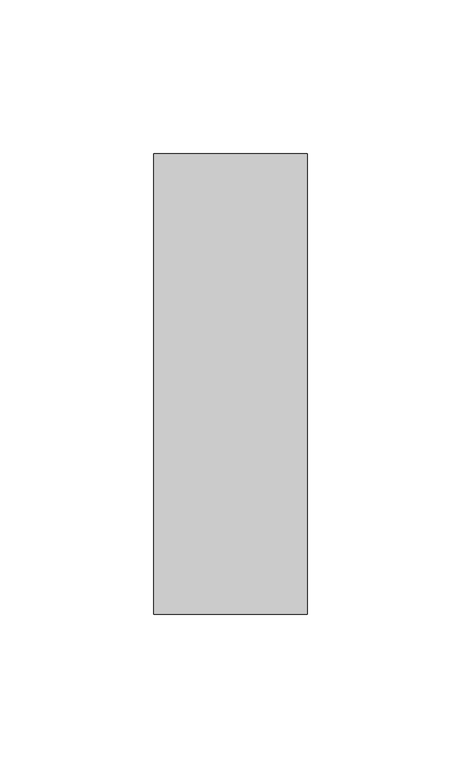
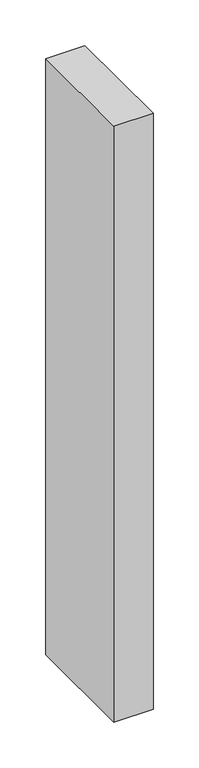
"""IFC4 building model written with IfcOpenShell, lengths in millimetres: member geometry."""

from ifc_helpers import new_model, si_unit, frame, origin, place, context, project, spatial, polyline, outline, extrude, source, transform, mapped, element, save


def member_474f6dcf(model_context):
    return source(origin(), model_context, "Body", "SweptSolid", [
        extrude(outline(polyline([(25.0, 75.0), (25.0, -75.0), (-25.0, -75.0), (-25.0, 75.0), (25.0, 75.0)])), frame((0.0, 0.0, -798.8948055), z_axis=(0.0, 0.0, 1.0), x_axis=(1.0, 0.0, 0.0)), (0.0, 0.0, 1.0), 798.8948055),
    ])


if __name__ == "__main__":
    model = new_model("IFC4")
    model_context = context("Model", 3, world=origin())
    ifc_project = project(units=[si_unit("LENGTHUNIT", "METRE", prefix="MILLI")], contexts=[model_context])
    site = spatial("IfcSite", under=ifc_project)
    building = spatial("IfcBuilding", under=site)
    placement = place(None, origin())
    member_shape = member_474f6dcf(model_context)
    element("IfcMember", 1, at=placement, inside=building, context=model_context, shape_type="MappedRepresentation", body=[
        mapped(member_shape, transform((0.0, 0.0, 0.0), x_axis=(1.0, 0.0, 0.0), y_axis=(0.0, 1.0, 0.0), z_axis=(0.0, 0.0, 1.0))),
    ])
    save(model, "model.ifc")
